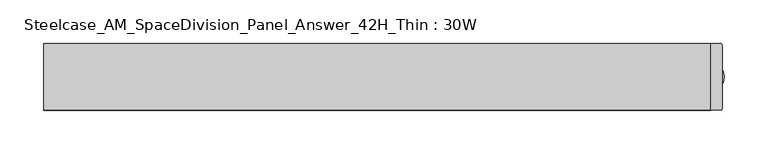
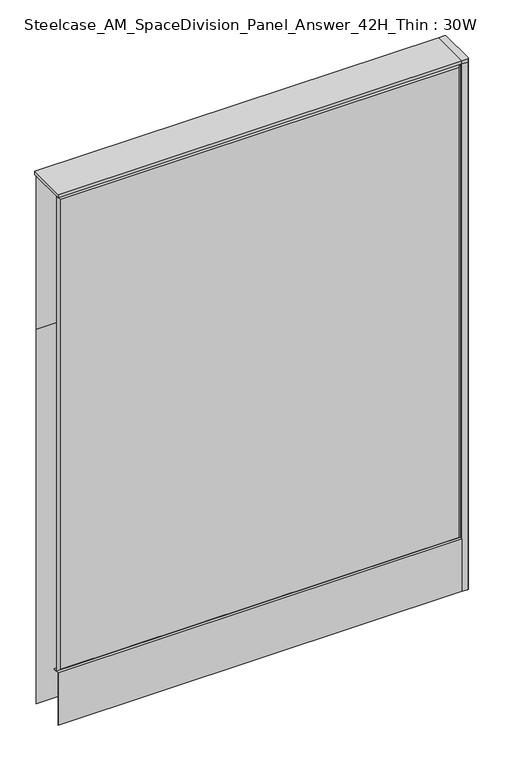
"""IFC4 building model written with IfcOpenShell, lengths in millimetres: furniture geometry, Steelcase_AM_SpaceDivision_Panel_Answer_42H_Thin : 30W."""

from ifc_helpers import new_model, si_unit, point, frame, frame_2d, origin, place, context, project, spatial, polyline, circle_curve, trimmed, segment, composite_curve, outline, extrude, faceted_brep, source, transform, mapped, element, save


def steelcase_am_spacedivision_panel_answer_42h_thin_30w_1d16bf99(model_context):
    return source(origin(), model_context, "Body", "SolidModel", [
        extrude(outline(polyline([(-37.3075215, 119.8575157), (-37.3075215, 15.494), (-38.1000194, 15.494), (-38.1000194, 120.65), (-25.4000011, 120.65), (-25.4000011, 119.8575157), (-37.3075215, 119.8575157)])), frame((-381.0, 0.0, 0.0), z_axis=(1.0, 0.0, 0.0), x_axis=(0.0, 1.0, 0.0)), (0.0, 0.0, 1.0), 762.0),
        extrude(outline(composite_curve([segment(trimmed(circle_curve(frame_2d((381.0, -1.94e-05)), 5.08), [point((386.08, -1.94e-05))], [point((375.92, -1.94e-05))], False, "CARTESIAN"), True, "CONTINUOUS"), segment(trimmed(circle_curve(frame_2d((381.0, -1.94e-05)), 5.08), [point((375.92, -1.94e-05))], [point((386.08, -1.94e-05))], False, "CARTESIAN"), True, "CONTINUOUS")], self_intersect=False)), frame((0.0, 0.0, 5.0799671), z_axis=(0.0, 0.0, 1.0), x_axis=(1.0, 0.0, 0.0)), (0.0, 0.0, 1.0), 10.414),
        extrude(outline(composite_curve([segment(trimmed(circle_curve(frame_2d((381.0, -1.94e-05)), 15.24), [point((396.24, -1.94e-05))], [point((365.76, -1.94e-05))], False, "CARTESIAN"), True, "CONTINUOUS"), segment(trimmed(circle_curve(frame_2d((381.0, -1.94e-05)), 15.24), [point((365.76, -1.94e-05))], [point((396.24, -1.94e-05))], False, "CARTESIAN"), True, "CONTINUOUS")], self_intersect=False)), frame((0.0, 0.0, -3.29e-05), z_axis=(0.0, 0.0, 1.0), x_axis=(1.0, 0.0, 0.0)), (0.0, 0.0, 1.0), 5.08),
        extrude(outline(composite_curve([segment(polyline([(393.7, 36.322), (393.7, -36.322)]), True, "CONTINUOUS"), segment(trimmed(circle_curve(frame_2d((391.922, -36.322)), 1.778), [point((393.7, -36.322))], [point((391.922, -38.1))], False, "CARTESIAN"), True, "CONTINUOUS"), segment(polyline([(391.922, -38.1), (381.0, -38.1), (381.0, 38.1), (391.922, 38.1)]), True, "CONTINUOUS"), segment(trimmed(circle_curve(frame_2d((391.922, 36.322)), 1.778), [point((391.922, 38.1))], [point((393.7, 36.322))], False, "CARTESIAN"), True, "CONTINUOUS")], self_intersect=False)), frame((0.0, 0.0, 1066.7999671), z_axis=(0.0, 0.0, 1.0), x_axis=(1.0, 0.0, 0.0)), (0.0, 0.0, 1.0), 6.35),
        extrude(outline(composite_curve([segment(polyline([(393.7, 36.322), (393.7, -36.322)]), True, "CONTINUOUS"), segment(trimmed(circle_curve(frame_2d((391.922, -36.322)), 1.778), [point((393.7, -36.322))], [point((391.922, -38.1))], False, "CARTESIAN"), True, "CONTINUOUS"), segment(polyline([(391.922, -38.1), (381.0, -38.1), (381.0, 38.1), (391.922, 38.1)]), True, "CONTINUOUS"), segment(trimmed(circle_curve(frame_2d((391.922, 36.322)), 1.778), [point((391.922, 38.1))], [point((393.7, 36.322))], False, "CARTESIAN"), True, "CONTINUOUS")], self_intersect=False)), frame((0.0, 0.0, 15.4939671), z_axis=(0.0, 0.0, 1.0), x_axis=(1.0, 0.0, 0.0)), (0.0, 0.0, 1.0), 1051.306),
        faceted_brep([(-376.174, 38.0960541, 1061.974), (376.174, 38.0960541, 1061.974), (376.174, 38.0960541, 766.826), (-376.174, 38.0960541, 766.826), (-381.0, 33.2700541, 1066.8), (-381.0, 33.2700541, 762.0), (381.0, 33.2700541, 762.0), (381.0, 33.2700541, 1066.8)], [[[0, 1, 2, 3]], [[4, 5, 6, 7]], [[4, 7, 1, 0]], [[7, 6, 2, 1]], [[6, 5, 3, 2]], [[5, 4, 0, 3]]]),
        faceted_brep([(-376.174, 38.0960541, 757.174), (376.174, 38.0960541, 757.174), (376.174, 38.0960541, 20.32), (-376.174, 38.0960541, 20.32), (-381.0, 33.2700541, 762.0), (-381.0, 33.2700541, 15.494), (381.0, 33.2700541, 15.494), (381.0, 33.2700541, 762.0)], [[[0, 1, 2, 3]], [[4, 5, 6, 7]], [[4, 7, 1, 0]], [[7, 6, 2, 1]], [[6, 5, 3, 2]], [[5, 4, 0, 3]]]),
        faceted_brep([(381.0, -33.2700541, 1066.8), (381.0, -33.2700541, 120.65), (-381.0, -33.2700541, 120.65), (-381.0, -33.2700541, 1066.8), (-376.174, -38.0960541, 1061.974), (376.174, -38.0960541, 1061.974), (-376.174, -38.0960541, 125.476), (376.174, -38.0960541, 125.476)], [[[0, 1, 2, 3]], [[0, 3, 4, 5]], [[5, 4, 6, 7]], [[3, 2, 6, 4]], [[2, 1, 7, 6]], [[1, 0, 5, 7]]]),
        extrude(outline(polyline([(381.0, 38.1000194), (381.0, -38.1000194), (-381.0, -38.1000194), (-381.0, 38.1000194), (381.0, 38.1000194)])), frame((0.0, 0.0, 1066.8), z_axis=(0.0, 0.0, 1.0), x_axis=(1.0, 0.0, 0.0)), (0.0, 0.0, 1.0), 6.35),
    ])


if __name__ == "__main__":
    model = new_model("IFC4")
    model_context = context("Model", 3, world=origin())
    ifc_project = project(units=[si_unit("LENGTHUNIT", "METRE", prefix="MILLI")], contexts=[model_context])
    site = spatial("IfcSite", under=ifc_project)
    building = spatial("IfcBuilding", under=site)
    placement = place(None, origin())
    steelcase_am_spacedivision_panel_answer_42h_thin_30w_shape = steelcase_am_spacedivision_panel_answer_42h_thin_30w_1d16bf99(model_context)
    element("IfcFurniture", 1, ObjectType="Steelcase_AM_SpaceDivision_Panel_Answer_42H_Thin : 30W", at=placement, inside=building, context=model_context, shape_type="MappedRepresentation", body=[
        mapped(steelcase_am_spacedivision_panel_answer_42h_thin_30w_shape, transform((0.0, 0.0, 0.0), x_axis=(1.0, 0.0, 0.0), y_axis=(0.0, 1.0, 0.0), z_axis=(0.0, 0.0, 1.0))),
    ])
    save(model, "model.ifc")
